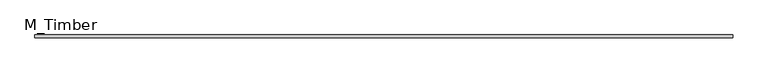
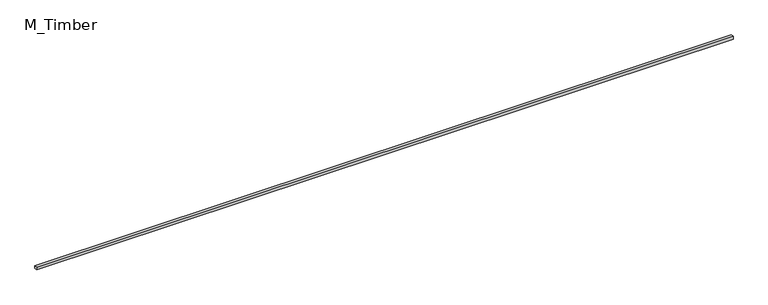
"""IFC4 building model written with IfcOpenShell, lengths in millimetres: beam geometry, M_Timber."""

from ifc_helpers import new_model, si_unit, frame, origin, place, context, project, spatial, polyline, outline, extrude, source, transform, mapped, element, save


def m_timber_df72c700(model_context):
    return source(origin(), model_context, "Body", "SweptSolid", [
        extrude(outline(polyline([(5034.2193328, 20.0), (5034.2193328, -20.0), (-5034.2193328, -20.0), (-5034.2193328, 20.0), (5034.2193328, 20.0)])), frame((0.0, 0.0, -20.0), z_axis=(0.0, 0.0, 1.0), x_axis=(1.0, 0.0, 0.0)), (0.0, 0.0, 1.0), 40.0),
    ])


if __name__ == "__main__":
    model = new_model("IFC4")
    model_context = context("Model", 3, world=origin())
    ifc_project = project(units=[si_unit("LENGTHUNIT", "METRE", prefix="MILLI")], contexts=[model_context])
    site = spatial("IfcSite", under=ifc_project)
    building = spatial("IfcBuilding", under=site)
    placement = place(None, origin())
    m_timber_shape = m_timber_df72c700(model_context)
    element("IfcBeam", 1, ObjectType="M_Timber", at=placement, inside=building, context=model_context, shape_type="MappedRepresentation", body=[
        mapped(m_timber_shape, transform((0.0, 0.0, 0.0), x_axis=(1.0, 0.0, 0.0), y_axis=(0.0, 1.0, 0.0), z_axis=(0.0, 0.0, 1.0))),
    ])
    save(model, "model.ifc")
